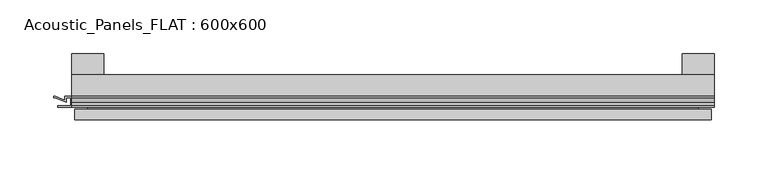
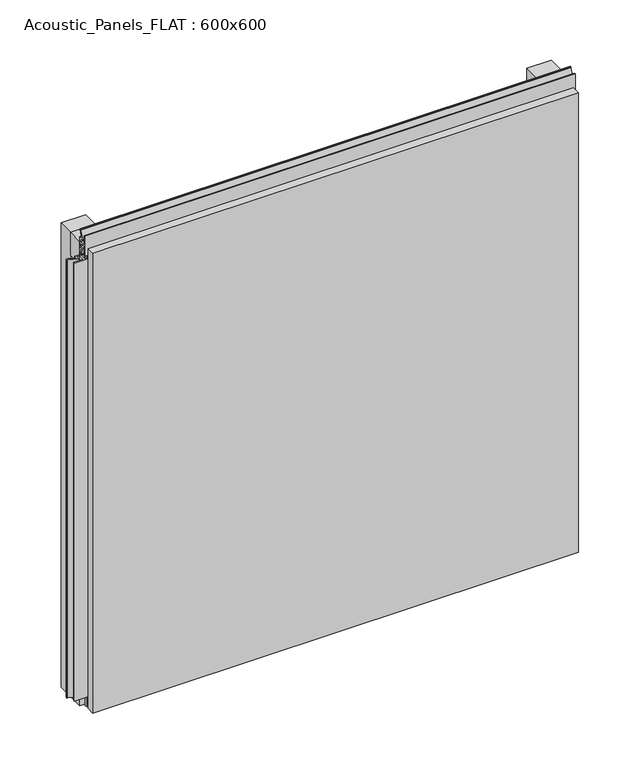
"""IFC4 building model written with IfcOpenShell, lengths in millimetres: plate geometry, Acoustic_Panels_FLAT : 600x600."""

from ifc_helpers import new_model, si_unit, frame, origin, origin_with_axes, place, context, project, spatial, polyline, outline, extrude, faceted_brep, source, transform, mapped, element, save


def acoustic_panels_flat_600x600_02ada87c(model_context):
    return source(origin(), model_context, "Body", "SolidModel", [
        extrude(outline(polyline([(-300.0, -40.0), (-300.0, -20.0), (300.0, -20.0), (300.0, -40.0), (-300.0, -40.0)])), frame((0.0, 0.0, 570.0), z_axis=(0.0, 0.0, 1.0), x_axis=(1.0, 0.0, 0.0)), (0.0, 0.0, 1.0), 30.0),
        extrude(outline(polyline([(-300.0, -40.0), (-300.0, -20.0), (300.0, -20.0), (300.0, -40.0), (-300.0, -40.0)])), origin_with_axes(), (0.0, 0.0, 1.0), 30.0),
        extrude(outline(polyline([(270.0, 0.0), (300.0, 0.0), (300.0, -20.0), (270.0, -20.0), (270.0, 0.0)])), origin_with_axes(), (0.0, 0.0, 1.0), 600.0),
        extrude(outline(polyline([(-270.0, 0.0), (-270.0, -20.0), (-300.0, -20.0), (-300.0, 0.0), (-270.0, 0.0)])), origin_with_axes(), (0.0, 0.0, 1.0), 600.0),
        extrude(outline(polyline([(293.700916, -40.0), (300.0, -40.0), (300.0, -50.1), (286.5843193, -50.1), (286.5843193, -48.7), (298.5843193, -48.7), (298.5843193, -41.4), (295.100916, -41.4), (295.100916, -45.5140545), (284.4296606, -41.4553267), (277.008452, -41.4553267), (277.008452, -40.0553267), (284.6441401, -40.0553267), (293.700916, -43.5), (293.700916, -40.0)])), frame((0.0, 0.0, 16.9558599), z_axis=(0.0, 0.0, 1.0), x_axis=(1.0, 0.0, 0.0)), (0.0, 0.0, 1.0), 566.0882802),
        extrude(outline(polyline([(-300.899084, -48.7), (-300.899084, -41.4), (-304.899084, -41.4), (-304.899084, -45.5140545), (-315.5703394, -41.4553267), (-316.9558599, -41.4553267), (-316.9558599, -40.0553267), (-315.3558599, -40.0553267), (-306.299084, -43.5), (-306.299084, -40.0), (-293.700916, -40.0), (-293.700916, -43.5), (-284.6441401, -40.0553267), (-283.0441401, -40.0553267), (-283.0441401, -41.4553267), (-284.4296606, -41.4553267), (-295.100916, -45.5140545), (-295.100916, -41.4), (-299.100916, -41.4), (-299.100916, -48.7), (-287.100916, -48.7), (-287.100916, -50.1), (-312.899084, -50.1), (-312.899084, -48.7), (-300.899084, -48.7)])), frame((0.0, 0.0, 16.9558599), z_axis=(0.0, 0.0, 1.0), x_axis=(1.0, 0.0, 0.0)), (0.0, 0.0, 1.0), 566.0882802),
        extrude(outline(polyline([(-48.7, 600.899084), (-41.4, 600.899084), (-41.4, 604.899084), (-45.5140545, 604.899084), (-41.4553267, 615.5703394), (-41.4553267, 616.9558599), (-40.0553267, 616.9558599), (-40.0553267, 615.3558599), (-43.5, 606.299084), (-40.0, 606.299084), (-40.0, 593.700916), (-43.5, 593.700916), (-40.0553267, 584.6441401), (-40.0553267, 583.0441401), (-41.4553267, 583.0441401), (-41.4553267, 584.4296606), (-45.5140545, 595.100916), (-41.4, 595.100916), (-41.4, 599.100916), (-48.7, 599.100916), (-48.7, 587.100916), (-50.1, 587.100916), (-50.1, 612.899084), (-48.7, 612.899084), (-48.7, 600.899084)])), frame((-300.0, 0.0, 0.0), z_axis=(1.0, 0.0, 0.0), x_axis=(0.0, 1.0, 0.0)), (0.0, 0.0, 1.0), 600.0),
        faceted_brep([(297.0, -45.9, 597.0), (-297.0, -45.9, 597.0), (-297.0, -48.7, 597.0), (297.0, -48.7, 597.0), (-297.0, -61.9, 597.0), (297.0, -61.9, 597.0), (297.0, -51.9, 597.0), (-297.0, -51.9, 597.0), (-297.0, -45.9, 3.0), (297.0, -45.9, 3.0), (297.0, -48.7, 3.0), (-297.0, -48.7, 3.0), (297.0, -61.9, 3.0), (-297.0, -61.9, 3.0), (-297.0, -51.9, 3.0), (297.0, -51.9, 3.0), (285.0, -51.9, 585.0), (285.0, -51.9, 15.0), (285.0, -48.7, 15.0), (285.0, -48.7, 585.0), (-285.0, -51.9, 15.0), (-285.0, -48.7, 15.0), (-285.0, -51.9, 585.0), (-285.0, -48.7, 585.0)], [[[0, 1, 2, 3]], [[4, 5, 6, 7]], [[8, 9, 10, 11]], [[12, 13, 14, 15]], [[1, 0, 9, 8]], [[1, 8, 11, 2]], [[13, 4, 7, 14]], [[5, 4, 13, 12]], [[9, 0, 3, 10]], [[5, 12, 15, 6]], [[16, 17, 18, 19]], [[18, 17, 20, 21]], [[21, 20, 22, 23]], [[16, 19, 23, 22]], [[7, 6, 15, 14], [17, 16, 22, 20]], [[3, 2, 11, 10], [19, 18, 21, 23]]]),
    ])


if __name__ == "__main__":
    model = new_model("IFC4")
    model_context = context("Model", 3, world=origin())
    ifc_project = project(units=[si_unit("LENGTHUNIT", "METRE", prefix="MILLI")], contexts=[model_context])
    site = spatial("IfcSite", under=ifc_project)
    building = spatial("IfcBuilding", under=site)
    placement = place(None, origin())
    acoustic_panels_flat_600x600_shape = acoustic_panels_flat_600x600_02ada87c(model_context)
    element("IfcPlate", 1, ObjectType="Acoustic_Panels_FLAT : 600x600", at=placement, inside=building, context=model_context, shape_type="MappedRepresentation", body=[
        mapped(acoustic_panels_flat_600x600_shape, transform((0.0, 0.0, 0.0), x_axis=(1.0, 0.0, 0.0), y_axis=(0.0, 1.0, 0.0), z_axis=(0.0, 0.0, 1.0))),
    ])
    save(model, "model.ifc")
